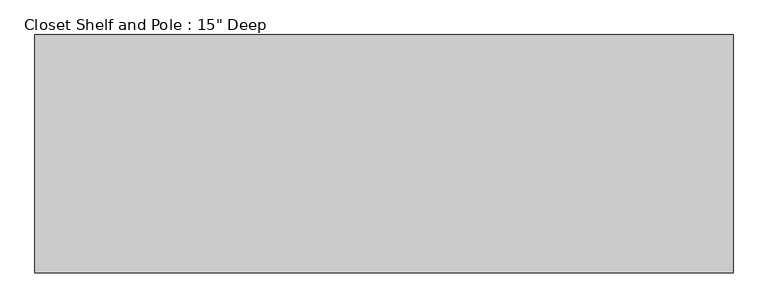
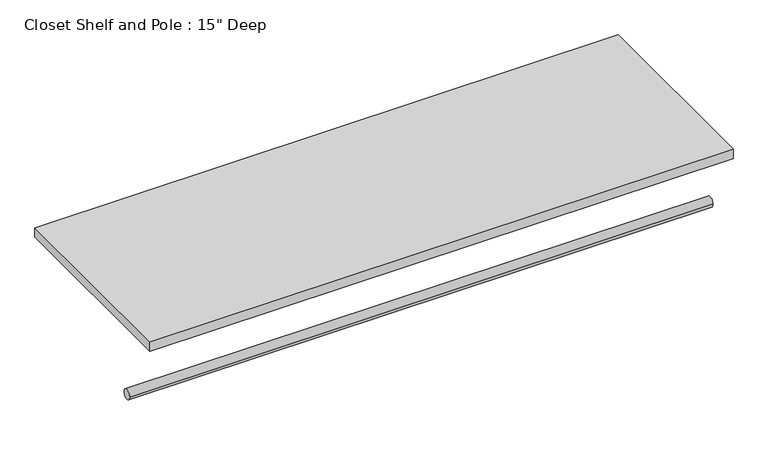
"""IFC4 building model written with IfcOpenShell, lengths in millimetres: proxy geometry."""

from ifc_helpers import new_model, si_unit, point, frame, frame_2d, origin, place, context, project, spatial, polyline, circle_curve, trimmed, segment, composite_curve, outline, extrude, source, transform, mapped, element, save


def proxy_95f21aab(model_context):
    return source(origin(), model_context, "Body", "SweptSolid", [
        extrude(outline(composite_curve([segment(trimmed(circle_curve(frame_2d((-304.8, 1676.4)), 9.525), [point((-314.325, 1676.4))], [point((-295.275, 1676.4))], False, "CARTESIAN"), True, "CONTINUOUS"), segment(trimmed(circle_curve(frame_2d((-304.8, 1676.4)), 9.525), [point((-295.275, 1676.4))], [point((-314.325, 1676.4))], False, "CARTESIAN"), True, "CONTINUOUS")], self_intersect=False)), frame((0.0, 0.0, 0.0), z_axis=(1.0, 0.0, 0.0), x_axis=(0.0, 1.0, 0.0)), (0.0, 0.0, 1.0), 1116.0125),
        extrude(outline(polyline([(1116.0125, 0.0), (1116.0125, -381.0), (0.0, -381.0), (0.0, 0.0), (1116.0125, 0.0)])), frame((0.0, 0.0, 1809.75), z_axis=(0.0, 0.0, 1.0), x_axis=(1.0, 0.0, 0.0)), (0.0, 0.0, 1.0), 19.05),
    ])


if __name__ == "__main__":
    model = new_model("IFC4")
    model_context = context("Model", 3, world=origin())
    ifc_project = project(units=[si_unit("LENGTHUNIT", "METRE", prefix="MILLI")], contexts=[model_context])
    site = spatial("IfcSite", under=ifc_project)
    building = spatial("IfcBuilding", under=site)
    placement = place(None, origin())
    proxy_shape = proxy_95f21aab(model_context)
    element("IfcBuildingElementProxy", 1, Name="Closet Shelf and Pole : 15\" Deep", ObjectType="Closet Shelf and Pole : 15\" Deep", at=placement, inside=building, context=model_context, shape_type="MappedRepresentation", body=[
        mapped(proxy_shape, transform((0.0, 0.0, 0.0), x_axis=(1.0, 0.0, 0.0), y_axis=(0.0, 1.0, 0.0), z_axis=(0.0, 0.0, 1.0))),
    ])
    save(model, "model.ifc")
